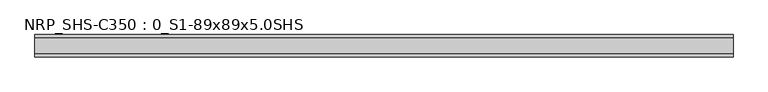
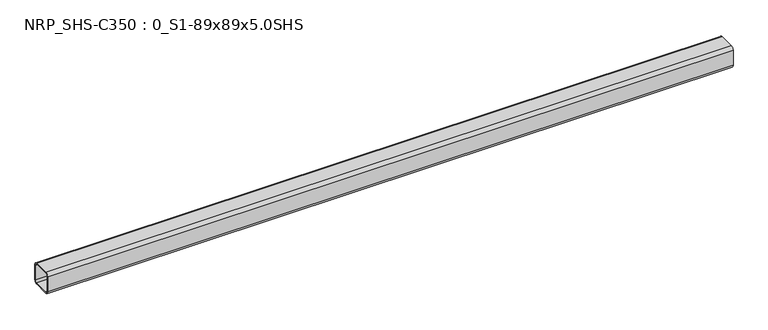
"""IFC4 building model written with IfcOpenShell, lengths in millimetres: beam geometry, NRP_SHS-C350 : 0_S1-89x89x5.0SHS."""

from ifc_helpers import new_model, si_unit, point, frame, frame_2d, origin, place, context, project, spatial, polyline, circle_curve, trimmed, segment, composite_curve, outline, extrude, source, transform, mapped, element, save


def nrp_shs_c350_0_s1_89x89x5_0shs_6eee2aae(model_context):
    return source(origin(), model_context, "Body", "SweptSolid", [
        extrude(outline(composite_curve([segment(trimmed(circle_curve(frame_2d((-32.0, 32.0)), 12.5), [point((-44.5, 32.0))], [point((-32.0, 44.5))], False, "CARTESIAN"), True, "CONTINUOUS"), segment(polyline([(-32.0, 44.5), (32.0, 44.5)]), True, "CONTINUOUS"), segment(trimmed(circle_curve(frame_2d((32.0, 32.0)), 12.5), [point((32.0, 44.5))], [point((44.5, 32.0))], False, "CARTESIAN"), True, "CONTINUOUS"), segment(polyline([(44.5, 32.0), (44.5, -32.0)]), True, "CONTINUOUS"), segment(trimmed(circle_curve(frame_2d((32.0, -32.0)), 12.5), [point((44.5, -32.0))], [point((32.0, -44.5))], False, "CARTESIAN"), True, "CONTINUOUS"), segment(polyline([(32.0, -44.5), (-32.0, -44.5)]), True, "CONTINUOUS"), segment(trimmed(circle_curve(frame_2d((-32.0, -32.0)), 12.5), [point((-32.0, -44.5))], [point((-44.5, -32.0))], False, "CARTESIAN"), True, "CONTINUOUS"), segment(polyline([(-44.5, -32.0), (-44.5, 32.0)]), True, "CONTINUOUS")], self_intersect=False), holes=[composite_curve([segment(polyline([(32.0, 39.5), (-32.0, 39.5)]), True, "CONTINUOUS"), segment(trimmed(circle_curve(frame_2d((-32.0, 32.0)), 7.5), [point((-32.0, 39.5))], [point((-39.5, 32.0))], True, "CARTESIAN"), True, "CONTINUOUS"), segment(polyline([(-39.5, 32.0), (-39.5, -32.0)]), True, "CONTINUOUS"), segment(trimmed(circle_curve(frame_2d((-32.0, -32.0)), 7.5), [point((-39.5, -32.0))], [point((-32.0, -39.5))], True, "CARTESIAN"), True, "CONTINUOUS"), segment(polyline([(-32.0, -39.5), (32.0, -39.5)]), True, "CONTINUOUS"), segment(trimmed(circle_curve(frame_2d((32.0, -32.0)), 7.5), [point((32.0, -39.5))], [point((39.5, -32.0))], True, "CARTESIAN"), True, "CONTINUOUS"), segment(polyline([(39.5, -32.0), (39.5, 32.0)]), True, "CONTINUOUS"), segment(trimmed(circle_curve(frame_2d((32.0, 32.0)), 7.5), [point((39.5, 32.0))], [point((32.0, 39.5))], True, "CARTESIAN"), True, "CONTINUOUS")], self_intersect=False)]), frame((-1379.5, 0.0, 0.0), z_axis=(1.0, 0.0, 0.0), x_axis=(0.0, 1.0, 0.0)), (0.0, 0.0, 1.0), 2774.0),
    ])


if __name__ == "__main__":
    model = new_model("IFC4")
    model_context = context("Model", 3, world=origin())
    ifc_project = project(units=[si_unit("LENGTHUNIT", "METRE", prefix="MILLI")], contexts=[model_context])
    site = spatial("IfcSite", under=ifc_project)
    building = spatial("IfcBuilding", under=site)
    placement = place(None, origin())
    nrp_shs_c350_0_s1_89x89x5_0shs_shape = nrp_shs_c350_0_s1_89x89x5_0shs_6eee2aae(model_context)
    element("IfcBeam", 1, ObjectType="NRP_SHS-C350 : 0_S1-89x89x5.0SHS", at=placement, inside=building, context=model_context, shape_type="MappedRepresentation", body=[
        mapped(nrp_shs_c350_0_s1_89x89x5_0shs_shape, transform((0.0, 0.0, 0.0), x_axis=(1.0, 0.0, 0.0), y_axis=(0.0, 1.0, 0.0), z_axis=(0.0, 0.0, 1.0))),
    ])
    save(model, "model.ifc")
